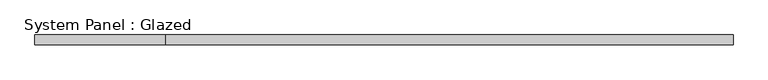
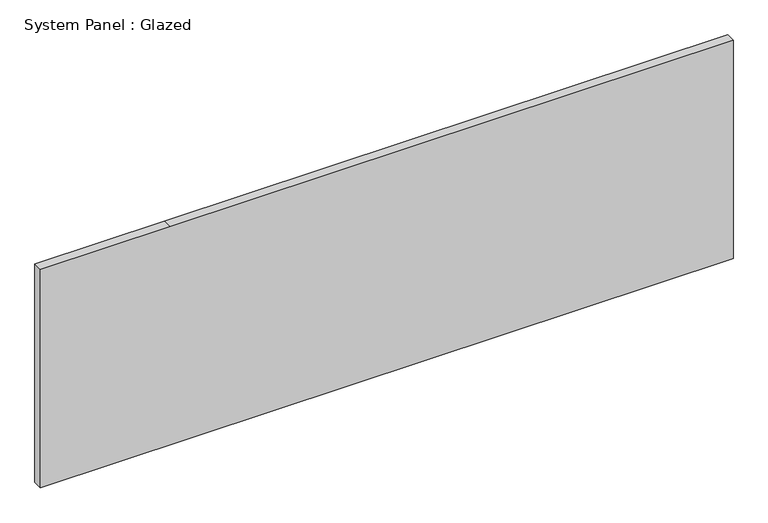
"""IFC4 building model written with IfcOpenShell, lengths in millimetres: plate geometry, System Panel : Glazed."""

from ifc_helpers import new_model, si_unit, frame, origin, place, context, project, spatial, polyline, outline, extrude, source, transform, mapped, element, save


def system_panel_glazed_47e51c57(model_context):
    return source(origin(), model_context, "Body", "SweptSolid", [
        extrude(outline(polyline([(0.0, -914.4), (0.0, 914.4), (609.6, 914.4), (609.6, -571.1820725), (609.6, -914.4), (0.0, -914.4)])), frame((0.0, 19.05, 0.0), z_axis=(0.0, 1.0, 0.0), x_axis=(0.0, 0.0, 1.0)), (0.0, 0.0, 1.0), 25.4),
    ])


if __name__ == "__main__":
    model = new_model("IFC4")
    model_context = context("Model", 3, world=origin())
    ifc_project = project(units=[si_unit("LENGTHUNIT", "METRE", prefix="MILLI")], contexts=[model_context])
    site = spatial("IfcSite", under=ifc_project)
    building = spatial("IfcBuilding", under=site)
    placement = place(None, origin())
    system_panel_glazed_shape = system_panel_glazed_47e51c57(model_context)
    element("IfcPlate", 1, ObjectType="System Panel : Glazed", at=placement, inside=building, context=model_context, shape_type="MappedRepresentation", body=[
        mapped(system_panel_glazed_shape, transform((0.0, 0.0, 0.0), x_axis=(1.0, 0.0, 0.0), y_axis=(0.0, 1.0, 0.0), z_axis=(0.0, 0.0, 1.0))),
    ])
    save(model, "model.ifc")
